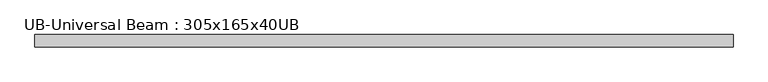
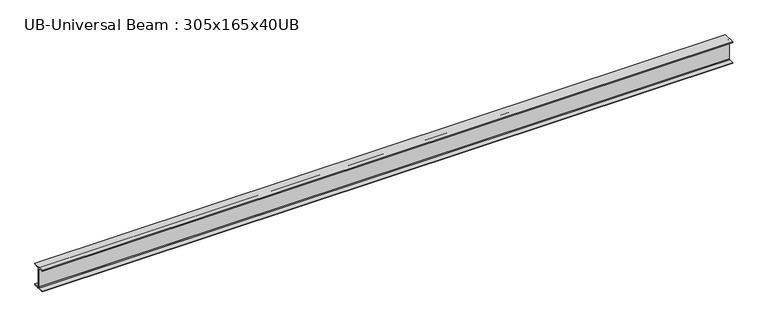
"""IFC4 building model written with IfcOpenShell, lengths in millimetres: beam geometry, UB-Universal Beam : 305x165x40UB."""

import ifcopenshell
import ifcopenshell.guid

model = None  # the IFC model being written
_history = None  # IfcOwnerHistory: only IFC2X3 demands one
_inside = {}  # id of a spatial element -> (the spatial element, [elements in it])
_under = {}  # id of a project, library or spatial element -> (it, [spatial elements below it])
_declared = {}  # id of a project -> (the project, [libraries it declares])
_typed = {}  # id of a type object -> (the type object, [elements of that type])
_made_of = {}  # id of a material, layer set ... -> (it, [elements and type objects made of it])


def new_model(schema):
    """Start an empty IFC model of exactly this schema.

    Asked for "IFC4X3", IfcOpenShell would pick the latest addendum, in which some entities
    have other attributes; the version numbers below select the first issue.
    IFC2X3 requires an IfcOwnerHistory on every rooted entity: one is made here for all.
    """
    global model, _history
    if schema == "IFC4X3":
        model = ifcopenshell.file(schema_version=(4, 3, 0, 0))
    else:
        model = ifcopenshell.file(schema=schema)
    _inside.clear()
    _under.clear()
    _declared.clear()
    _typed.clear()
    _made_of.clear()
    _history = None
    if model.schema == "IFC2X3":
        org = make("IfcOrganization", Name="unknown")
        user = make(
            "IfcPersonAndOrganization",
            ThePerson=make("IfcPerson", FamilyName="unknown"),
            TheOrganization=org,
        )
        app = make(
            "IfcApplication",
            ApplicationDeveloper=org,
            Version="unknown",
            ApplicationFullName="unknown",
            ApplicationIdentifier="unknown",
        )
        _history = make(
            "IfcOwnerHistory",
            OwningUser=user,
            OwningApplication=app,
            ChangeAction="ADDED",
            CreationDate=0,
        )
    return model


def make(cls, **values):
    """One entity of the class cls with the attributes given. An attribute that is None is left unset."""
    return model.create_entity(
        cls, **{name: value for name, value in values.items() if value is not None}
    )


def rooted(cls, **values):
    """An entity with a GlobalId (a new one), such as an element, a storey or a relation."""
    return make(cls, GlobalId=ifcopenshell.guid.new(), OwnerHistory=_history, **values)


def si_unit(unit_type, name, prefix=None):
    """IfcSIUnit, for example si_unit("LENGTHUNIT", "METRE", prefix="MILLI")."""
    return make("IfcSIUnit", UnitType=unit_type, Prefix=prefix, Name=name)


def assignment(units):
    """IfcUnitAssignment: the units of a project."""
    return None if units is None else make("IfcUnitAssignment", Units=units)


def point(xyz):
    """IfcCartesianPoint."""
    return None if xyz is None else make("IfcCartesianPoint", Coordinates=xyz)


def direction(xyz):
    """IfcDirection."""
    return None if xyz is None else make("IfcDirection", DirectionRatios=xyz)


def frame(location, z_axis=None, x_axis=None):
    """IfcAxis2Placement3D, a coordinate frame: its origin and axes. An axis left out is left unset."""
    return make(
        "IfcAxis2Placement3D",
        Location=point(location),
        Axis=direction(z_axis),
        RefDirection=direction(x_axis),
    )


def frame_2d(location, x_axis=None):
    """IfcAxis2Placement2D, a coordinate frame in the plane: its origin and x axis."""
    return make(
        "IfcAxis2Placement2D", Location=point(location), RefDirection=direction(x_axis)
    )


def origin():
    """The frame at (0, 0, 0) with its axes left unset."""
    return frame((0.0, 0.0, 0.0))


def place(relative_to, where):
    """IfcLocalPlacement: puts the frame where relative to a parent placement (None: the world)."""
    return make(
        "IfcLocalPlacement", PlacementRelTo=relative_to, RelativePlacement=where
    )


def context(
    kind, dimensions, precision=None, world=None, true_north=None, identifier=None
):
    """IfcGeometricRepresentationContext, for example the 3D "Model" context."""
    return make(
        "IfcGeometricRepresentationContext",
        ContextIdentifier=identifier,
        ContextType=kind,
        CoordinateSpaceDimension=dimensions,
        Precision=precision,
        WorldCoordinateSystem=world,
        TrueNorth=true_north,
    )


def project(units=None, contexts=None):
    """IfcProject with its units and contexts."""
    return rooted(
        "IfcProject",
        Name="project",
        RepresentationContexts=contexts,
        UnitsInContext=assignment(units),
    )


def spatial(cls, under=None, at=None, **own):
    """A site, building, storey or space (cls), placed at a placement, below another one or the project."""
    s = rooted(cls, ObjectPlacement=at, **own)
    if under is not None:
        _under.setdefault(under.id(), (under, []))[1].append(s)
    return s


def polyline(points):
    """IfcPolyline through the points."""
    return make("IfcPolyline", Points=[point(p) for p in points])


def circle_curve(where, radius):
    """IfcCircle in the frame where."""
    return make("IfcCircle", Position=where, Radius=radius)


def trimmed(basis, trim1, trim2, sense, master):
    """IfcTrimmedCurve: the piece of a basis curve between two trims."""
    return make(
        "IfcTrimmedCurve",
        BasisCurve=basis,
        Trim1=trim1,
        Trim2=trim2,
        SenseAgreement=sense,
        MasterRepresentation=master,
    )


def segment(curve, same_sense, transition):
    """IfcCompositeCurveSegment."""
    return make(
        "IfcCompositeCurveSegment",
        Transition=transition,
        SameSense=same_sense,
        ParentCurve=curve,
    )


def composite_curve(segments, self_intersect=None):
    """IfcCompositeCurve: segments joined end to end."""
    return make("IfcCompositeCurve", Segments=segments, SelfIntersect=self_intersect)


def outline(outer, holes=None, kind="AREA"):
    """IfcArbitraryClosedProfileDef: a profile drawn as a closed curve; with holes, ...WithVoids."""
    if holes is None:
        return make("IfcArbitraryClosedProfileDef", ProfileType=kind, OuterCurve=outer)
    return make(
        "IfcArbitraryProfileDefWithVoids",
        ProfileType=kind,
        OuterCurve=outer,
        InnerCurves=holes,
    )


def extrude(swept, where, along, depth):
    """IfcExtrudedAreaSolid: the profile swept, set in the frame where, extruded along a direction by depth."""
    return make(
        "IfcExtrudedAreaSolid",
        SweptArea=swept,
        Position=where,
        ExtrudedDirection=direction(along),
        Depth=depth,
    )


def shape(context_of_items, identifier, shape_type, items):
    """IfcShapeRepresentation: the items that make up one representation, for example the "Body"."""
    return make(
        "IfcShapeRepresentation",
        ContextOfItems=context_of_items,
        RepresentationIdentifier=identifier,
        RepresentationType=shape_type,
        Items=items,
    )


def source(mapping_origin, context_of_items, identifier, shape_type, items):
    """IfcRepresentationMap: a shape defined once, which mapped items show again and again."""
    return make(
        "IfcRepresentationMap",
        MappingOrigin=mapping_origin,
        MappedRepresentation=shape(context_of_items, identifier, shape_type, items),
    )


def transform(
    local_origin,
    x_axis=None,
    y_axis=None,
    z_axis=None,
    scale=None,
    scale2=None,
    scale3=None,
    uniform=True,
):
    """IfcCartesianTransformationOperator3D, or its non-uniform kind. x_axis, y_axis, z_axis: its Axis1, 2, 3."""
    if uniform:
        return make(
            "IfcCartesianTransformationOperator3D",
            Axis1=direction(x_axis),
            Axis2=direction(y_axis),
            LocalOrigin=point(local_origin),
            Scale=scale,
            Axis3=direction(z_axis),
        )
    return make(
        "IfcCartesianTransformationOperator3DnonUniform",
        Axis1=direction(x_axis),
        Axis2=direction(y_axis),
        LocalOrigin=point(local_origin),
        Scale=scale,
        Axis3=direction(z_axis),
        Scale2=scale2,
        Scale3=scale3,
    )


def mapped(mapping_source, mapping_target):
    """IfcMappedItem: shows the shape of a source again, moved by a transform."""
    return make(
        "IfcMappedItem", MappingSource=mapping_source, MappingTarget=mapping_target
    )


def made_of(thing, what):
    """Note that an element or type object is made of a material, layer set ...; save() writes the relation."""
    if what is not None:
        _made_of.setdefault(what.id(), (what, []))[1].append(thing)
    return thing


def element(
    cls,
    number,
    at=None,
    inside=None,
    cuts=None,
    type_object=None,
    material=None,
    context=None,
    identifier="Body",
    shape_type=None,
    held_by="IfcProductDefinitionShape",
    body=None,
    shapes=None,
    **own,
):
    """One element of the class cls, such as IfcWall. Its Tag is "e" and its number.

    at: its placement. inside: the storey or other place that contains it. cuts: it is an
    opening in that element (IfcRelVoidsElement). A single representation is given by context,
    identifier, shape_type and body (its items); several are given by shapes. held_by: the class
    of the entity that holds the representations. save() writes the other relations.
    """
    e = rooted(cls, Tag="e%d" % number, ObjectPlacement=at, **own)
    if body is not None:
        shapes = [shape(context, identifier, shape_type, body)]
    if shapes is not None:
        e.Representation = make(held_by, Representations=shapes)
    if inside is not None:
        _inside.setdefault(inside.id(), (inside, []))[1].append(e)
    if cuts is not None:
        rooted(
            "IfcRelVoidsElement", RelatingBuildingElement=cuts, RelatedOpeningElement=e
        )
    if type_object is not None:
        _typed.setdefault(type_object.id(), (type_object, []))[1].append(e)
    return made_of(e, material)


def aggregate(whole, parts):
    """IfcRelAggregates: a whole, such as a stair, and the parts it consists of."""
    return rooted("IfcRelAggregates", RelatingObject=whole, RelatedObjects=parts)


def save(model, path):
    """Write the relations noted so far, then the file.

    IfcRelAggregates (storeys below a building ...), IfcRelContainedInSpatialStructure (elements
    in a storey), IfcRelDefinesByType, IfcRelAssociatesMaterial and IfcRelDeclares: one each for
    every whole, place, type object, material and project.
    """
    for whole, parts in _under.values():
        aggregate(whole, parts)
    for where, things in _inside.values():
        rooted(
            "IfcRelContainedInSpatialStructure",
            RelatedElements=things,
            RelatingStructure=where,
        )
    for kind, things in _typed.values():
        rooted("IfcRelDefinesByType", RelatedObjects=things, RelatingType=kind)
    for what, things in _made_of.values():
        rooted("IfcRelAssociatesMaterial", RelatedObjects=things, RelatingMaterial=what)
    for by, libraries in _declared.values():
        rooted("IfcRelDeclares", RelatingContext=by, RelatedDefinitions=libraries)
    model.write(path)


def ub_universal_beam_305x165x40ub_c5bd6d13(model_context):
    return source(origin(), model_context, "Body", "SweptSolid", [
        extrude(outline(composite_curve([segment(polyline([(82.5, -141.5), (82.5, -151.7), (-82.5, -151.7), (-82.5, -141.5), (-11.9, -141.5)]), True, "CONTINUOUS"), segment(trimmed(circle_curve(frame_2d((-11.9, -132.6)), 8.9), [point((-11.9, -141.5))], [point((-3.0, -132.6))], True, "CARTESIAN"), True, "CONTINUOUS"), segment(polyline([(-3.0, -132.6), (-3.0, 132.6)]), True, "CONTINUOUS"), segment(trimmed(circle_curve(frame_2d((-11.9, 132.6)), 8.9), [point((-3.0, 132.6))], [point((-11.9, 141.5))], True, "CARTESIAN"), True, "CONTINUOUS"), segment(polyline([(-11.9, 141.5), (-82.5, 141.5), (-82.5, 151.7), (82.5, 151.7), (82.5, 141.5), (11.9, 141.5)]), True, "CONTINUOUS"), segment(trimmed(circle_curve(frame_2d((11.9, 132.6)), 8.9), [point((11.9, 141.5))], [point((3.0, 132.6))], True, "CARTESIAN"), True, "CONTINUOUS"), segment(polyline([(3.0, 132.6), (3.0, -132.6)]), True, "CONTINUOUS"), segment(trimmed(circle_curve(frame_2d((11.9, -132.6)), 8.9), [point((3.0, -132.6))], [point((11.9, -141.5))], True, "CARTESIAN"), True, "CONTINUOUS"), segment(polyline([(11.9, -141.5), (82.5, -141.5)]), True, "CONTINUOUS")], self_intersect=False)), frame((-4624.0307672, 0.0, 0.0), z_axis=(1.0, 0.0, 0.0), x_axis=(0.0, 1.0, 0.0)), (0.0, 0.0, 1.0), 9255.6101472),
    ])


if __name__ == "__main__":
    model = new_model("IFC4")
    model_context = context("Model", 3, world=origin())
    ifc_project = project(units=[si_unit("LENGTHUNIT", "METRE", prefix="MILLI")], contexts=[model_context])
    site = spatial("IfcSite", under=ifc_project)
    building = spatial("IfcBuilding", under=site)
    placement = place(None, origin())
    ub_universal_beam_305x165x40ub_shape = ub_universal_beam_305x165x40ub_c5bd6d13(model_context)
    element("IfcBeam", 1, ObjectType="UB-Universal Beam : 305x165x40UB", at=placement, inside=building, context=model_context, shape_type="MappedRepresentation", body=[
        mapped(ub_universal_beam_305x165x40ub_shape, transform((0.0, 0.0, 0.0), x_axis=(1.0, 0.0, 0.0), y_axis=(0.0, 1.0, 0.0), z_axis=(0.0, 0.0, 1.0))),
    ])
    save(model, "model.ifc")
